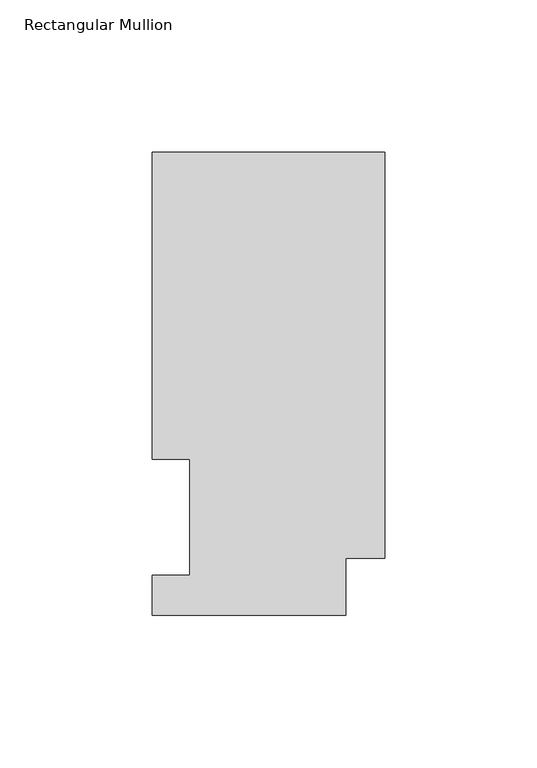
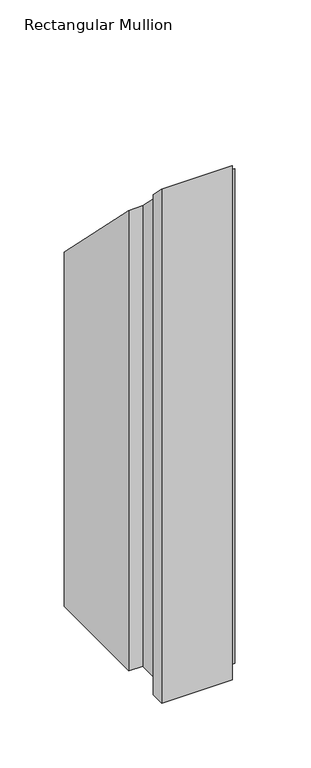
"""IFC4 building model written with IfcOpenShell, lengths in millimetres: member geometry, Rectangular Mullion."""

from ifc_helpers import new_model, si_unit, origin, place, context, project, spatial, faceted_brep, source, transform, mapped, element, save


def rectangular_mullion_d482a796(model_context):
    return source(origin(), model_context, "Body", "Brep", [
        faceted_brep([(-76.2, 151.9816937, -488.95), (0.0, 151.9816937, -488.95), (0.0, 18.7332937, -488.95), (-12.7, 18.7332937, -488.95), (-12.7, 0.0134937, -488.95), (-76.2, 0.0134937, -488.95), (-76.2, 13.1960938, -488.95), (-63.8581605, 13.1960937, -488.95), (-63.8581605, 51.2960938, -488.95), (-76.2, 51.2960938, -488.95), (-76.2, 51.2960938, -51.2960938), (-76.2, 151.9816937, -151.9816937), (-63.8581605, 51.2960938, -51.2960938), (-63.8581605, 13.1960937, -13.1960937), (-76.2, 13.1960938, -13.1960938), (-76.2, 0.0134937, -0.0134937), (-12.7, 0.0134937, -0.0134937), (-12.7, 18.7332937, -18.7332937), (0.0, 18.7332937, -18.7332937), (0.0, 151.9816937, -151.9816937)], [[[0, 1, 2, 3, 4, 5, 6, 7, 8, 9]], [[10, 11, 0, 9]], [[12, 10, 9, 8]], [[13, 12, 8, 7]], [[14, 13, 7, 6]], [[15, 14, 6, 5]], [[16, 15, 5, 4]], [[17, 16, 4, 3]], [[18, 17, 3, 2]], [[19, 18, 2, 1]], [[11, 19, 1, 0]], [[11, 10, 12, 13, 14, 15, 16, 17, 18, 19]]]),
    ])


if __name__ == "__main__":
    model = new_model("IFC4")
    model_context = context("Model", 3, world=origin())
    ifc_project = project(units=[si_unit("LENGTHUNIT", "METRE", prefix="MILLI")], contexts=[model_context])
    site = spatial("IfcSite", under=ifc_project)
    building = spatial("IfcBuilding", under=site)
    placement = place(None, origin())
    rectangular_mullion_shape = rectangular_mullion_d482a796(model_context)
    element("IfcMember", 1, ObjectType="Rectangular Mullion", at=placement, inside=building, context=model_context, shape_type="MappedRepresentation", body=[
        mapped(rectangular_mullion_shape, transform((0.0, 0.0, 0.0), x_axis=(1.0, 0.0, 0.0), y_axis=(0.0, 1.0, 0.0), z_axis=(0.0, 0.0, 1.0))),
    ])
    save(model, "model.ifc")
